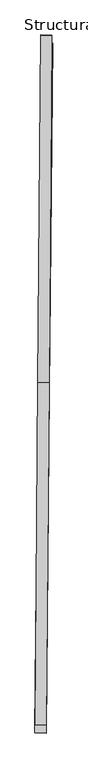
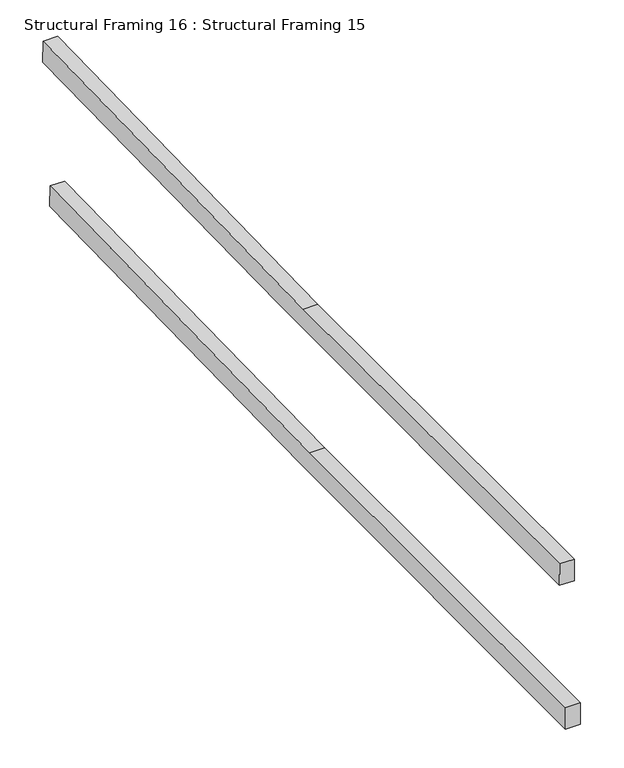
"""IFC4 building model written with IfcOpenShell, lengths in millimetres: beam geometry, Structural Framing 16 : Structural Framing 15."""

from ifc_helpers import new_model, si_unit, frame, origin, place, context, project, spatial, polyline, outline, extrude, source, transform, mapped, element, save


def structural_framing_16_structural_framing_15_8e8534b1(model_context):
    return source(origin(), model_context, "Body", "SweptSolid", [
        extrude(outline(polyline([(1793.4589104, 0.0), (3517.4711066, 32.0619902), (3517.0395996, -55.3024628), (1737.0961676, -81.9912165), (44.991407, -83.683648), (45.2937296, 0.0), (1793.4589104, 0.0)])), frame((-40747.259966, 41871.4513649, 109066.4268524), z_axis=(-0.9999539700238057, 0.009594677359336173, 0.0), x_axis=(-0.009594471228249435, -0.9999324871129366, -0.006554947596073047)), (0.0, 0.0, 1.0), 56.0473006),
        extrude(outline(polyline([(1793.4589104, 1e-07), (3517.3104091, 39.7748), (3517.2697697, -47.5907092), (1636.8550269, -79.5805087), (45.1263822, -88.3331437), (48.8983566, 1e-07), (1793.4589104, 1e-07)])), frame((-40751.5937776, 41913.2593553, 109629.5386198), z_axis=(-0.9999678964761239, 0.008012865724329075, 0.0), x_axis=(-0.008012378395703035, -0.9999070801592357, -0.011028727935538751)), (0.0, 0.0, 1.0), 56.0473006),
    ])


if __name__ == "__main__":
    model = new_model("IFC4")
    model_context = context("Model", 3, world=origin())
    ifc_project = project(units=[si_unit("LENGTHUNIT", "METRE", prefix="MILLI")], contexts=[model_context])
    site = spatial("IfcSite", under=ifc_project)
    building = spatial("IfcBuilding", under=site)
    placement = place(None, origin())
    structural_framing_16_structural_framing_15_shape = structural_framing_16_structural_framing_15_8e8534b1(model_context)
    element("IfcBeam", 1, ObjectType="Structural Framing 16 : Structural Framing 15", at=placement, inside=building, context=model_context, shape_type="MappedRepresentation", body=[
        mapped(structural_framing_16_structural_framing_15_shape, transform((0.0, 0.0, 0.0), x_axis=(1.0, 0.0, 0.0), y_axis=(0.0, 1.0, 0.0), z_axis=(0.0, 0.0, 1.0))),
    ])
    save(model, "model.ifc")
